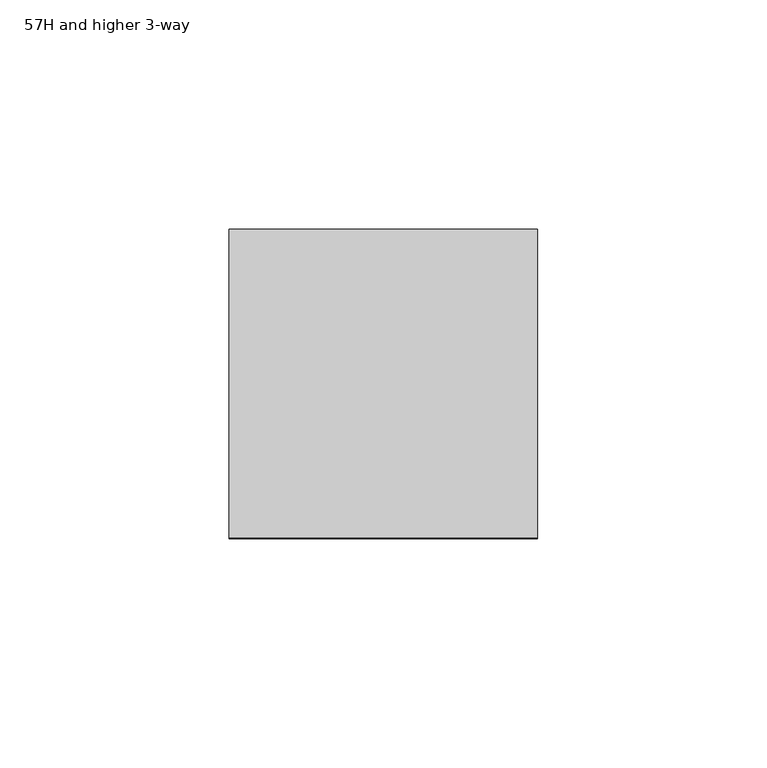
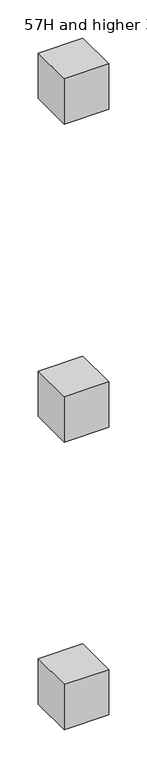
"""IFC4 building model written with IfcOpenShell, lengths in millimetres: furniture geometry, 57H and higher 3-way."""

from ifc_helpers import new_model, si_unit, frame, origin, place, context, project, spatial, polyline, outline, extrude, source, transform, mapped, element, save


def furniture_57h_and_higher_3_way_76a83ec6(model_context):
    return source(origin(), model_context, "Body", "SweptSolid", [
        extrude(outline(polyline([(33.6311875, -33.6311875), (-33.6311875, -33.6311875), (-33.6311875, 33.6311875), (33.6311875, 33.6311875), (33.6311875, -33.6311875)])), frame((0.0, 0.0, 1158.2201563), z_axis=(0.0, 0.0, 1.0), x_axis=(1.0, 0.0, 0.0)), (0.0, 0.0, 1.0), 72.39),
        extrude(outline(polyline([(33.6311875, -33.6311875), (-33.6311875, -33.6311875), (-33.6311875, 33.6311875), (33.6311875, 33.6311875), (33.6311875, -33.6311875)])), frame((0.0, 0.0, 651.5100145), z_axis=(0.0, 0.0, 1.0), x_axis=(1.0, 0.0, 0.0)), (0.0, 0.0, 1.0), 72.3899855),
        extrude(outline(polyline([(33.6311875, 33.6311875), (33.6311875, -33.6311875), (-33.6311875, -33.6311875), (-33.6311875, 33.6311875), (33.6311875, 33.6311875)])), frame((0.0, 0.0, 193.0399976), z_axis=(0.0, 0.0, 1.0), x_axis=(1.0, 0.0, 0.0)), (0.0, 0.0, 1.0), 72.39),
    ])


if __name__ == "__main__":
    model = new_model("IFC4")
    model_context = context("Model", 3, world=origin())
    ifc_project = project(units=[si_unit("LENGTHUNIT", "METRE", prefix="MILLI")], contexts=[model_context])
    site = spatial("IfcSite", under=ifc_project)
    building = spatial("IfcBuilding", under=site)
    placement = place(None, origin())
    furniture_57h_and_higher_3_way_shape = furniture_57h_and_higher_3_way_76a83ec6(model_context)
    element("IfcFurniture", 1, ObjectType="57H and higher 3-way", at=placement, inside=building, context=model_context, shape_type="MappedRepresentation", body=[
        mapped(furniture_57h_and_higher_3_way_shape, transform((0.0, 0.0, 0.0), x_axis=(1.0, 0.0, 0.0), y_axis=(0.0, 1.0, 0.0), z_axis=(0.0, 0.0, 1.0))),
    ])
    save(model, "model.ifc")
